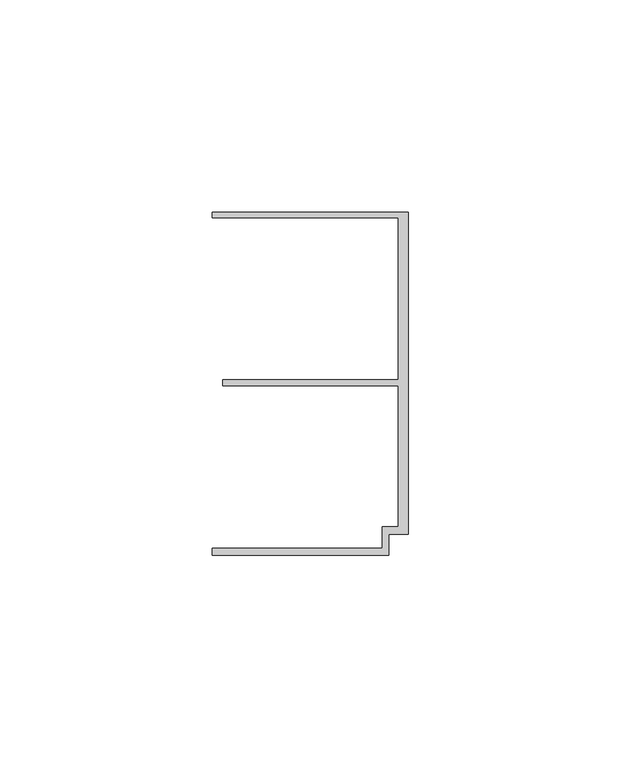
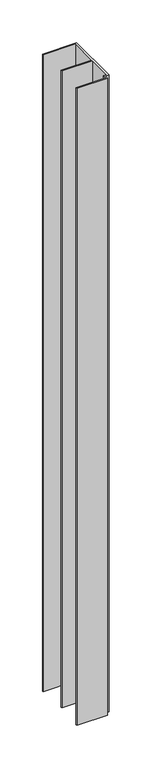
"""IFC4 building model written with IfcOpenShell, lengths in millimetres: member geometry."""

from ifc_helpers import new_model, si_unit, frame, origin, place, context, project, spatial, polyline, outline, extrude, source, transform, mapped, element, save


def member_051fef8f(model_context):
    return source(origin(), model_context, "Body", "SweptSolid", [
        extrude(outline(polyline([(-6.2, -33.95), (-2.4, -33.95), (-2.4, -0.75), (-43.8, -0.75), (-43.8, 0.75), (-2.4, 0.75), (-2.4, 38.95), (-46.3, 38.95), (-46.3, 40.25), (0.0, 40.25), (0.0, -35.75), (-4.6999992, -35.75), (-4.6999992, -40.65), (-46.3, -40.65), (-46.3, -38.95), (-6.2, -38.95), (-6.2, -33.95)])), frame((0.0, 0.0, -911.0), z_axis=(0.0, 0.0, 1.0), x_axis=(1.0, 0.0, 0.0)), (0.0, 0.0, 1.0), 911.0),
    ])


if __name__ == "__main__":
    model = new_model("IFC4")
    model_context = context("Model", 3, world=origin())
    ifc_project = project(units=[si_unit("LENGTHUNIT", "METRE", prefix="MILLI")], contexts=[model_context])
    site = spatial("IfcSite", under=ifc_project)
    building = spatial("IfcBuilding", under=site)
    placement = place(None, origin())
    member_shape = member_051fef8f(model_context)
    element("IfcMember", 1, at=placement, inside=building, context=model_context, shape_type="MappedRepresentation", body=[
        mapped(member_shape, transform((0.0, 0.0, 0.0), x_axis=(1.0, 0.0, 0.0), y_axis=(0.0, 1.0, 0.0), z_axis=(0.0, 0.0, 1.0))),
    ])
    save(model, "model.ifc")
